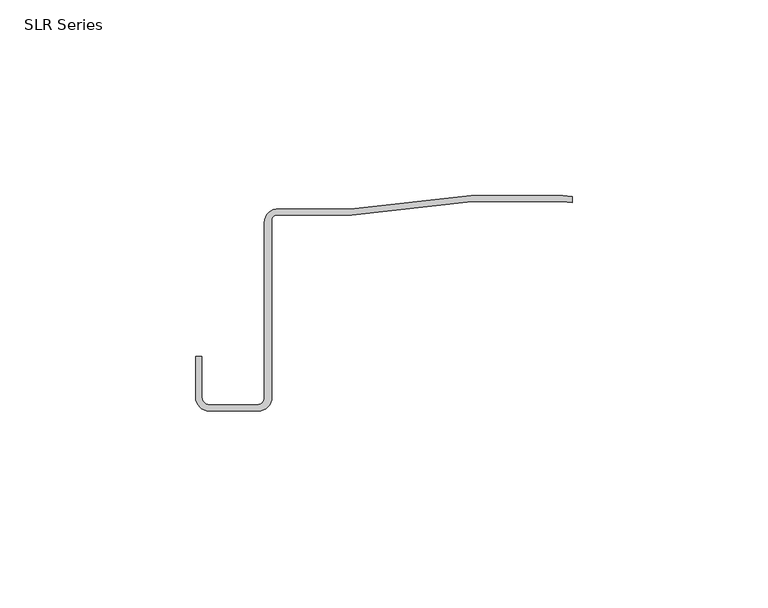
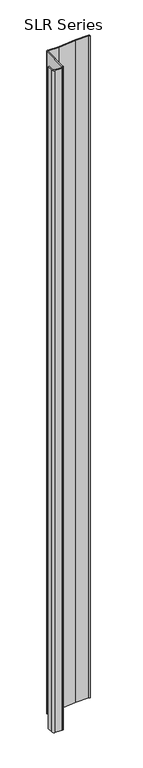
"""IFC4 building model written with IfcOpenShell, lengths in millimetres: plate geometry, SLR Series."""

from ifc_helpers import new_model, si_unit, point, frame_2d, origin, origin_with_axes, place, context, project, spatial, polyline, circle_curve, trimmed, segment, composite_curve, outline, extrude, source, transform, mapped, element, save


def slr_series_e1fe109a(model_context):
    return source(origin(), model_context, "Body", "SweptSolid", [
        extrude(outline(composite_curve([segment(trimmed(circle_curve(frame_2d((-34.9996177, -6.1269066)), 1.1123332), [point((-34.9996177, -5.0145733))], [point((-36.111951, -6.1269066))], True, "CARTESIAN"), True, "CONTINUOUS"), segment(polyline([(-36.111951, -6.1269066), (-36.111951, -51.601347)]), True, "CONTINUOUS"), segment(trimmed(circle_curve(frame_2d((-39.6443114, -51.601347)), 3.5323605), [point((-36.111951, -51.601347))], [point((-39.6443114, -55.1337075))], False, "CARTESIAN"), True, "CONTINUOUS"), segment(polyline([(-39.6443114, -55.1337075), (-52.0301614, -55.1337075)]), True, "CONTINUOUS"), segment(trimmed(circle_curve(frame_2d((-52.0301614, -51.601347)), 3.5323605), [point((-52.0301614, -55.1337075))], [point((-55.5625218, -51.601347))], False, "CARTESIAN"), True, "CONTINUOUS"), segment(polyline([(-55.5625218, -51.601347), (-55.5625218, -41.1948398), (-53.978425, -41.1948398), (-53.978425, -51.5624981)]), True, "CONTINUOUS"), segment(trimmed(circle_curve(frame_2d((-52.0457009, -51.5624981)), 1.9327241), [point((-53.978425, -51.5624981))], [point((-52.0457009, -53.4952222))], True, "CARTESIAN"), True, "CONTINUOUS"), segment(polyline([(-52.0457009, -53.4952222), (-39.8094191, -53.4952222)]), True, "CONTINUOUS"), segment(trimmed(circle_curve(frame_2d((-39.8094191, -51.6829296)), 1.8122926), [point((-39.8094191, -53.4952222))], [point((-37.9971266, -51.6829296))], True, "CARTESIAN"), True, "CONTINUOUS"), segment(polyline([(-37.9971266, -51.6829296), (-37.9971266, -6.8561803)]), True, "CONTINUOUS"), segment(trimmed(circle_curve(frame_2d((-34.586939, -6.8561803)), 3.4101875), [point((-37.9971266, -6.8561803))], [point((-34.9996177, -3.4710547))], False, "CARTESIAN"), True, "CONTINUOUS"), segment(polyline([(-34.9996177, -3.4710547), (-16.1299058, -3.4710547), (14.8424158, 0.0), (38.2223359, -0.0030647), (40.6542607, -0.3067848), (40.6542607, -1.8594973), (38.1264307, -1.5435186), (14.9066178, -1.5435186), (-15.7241926, -5.0145733), (-34.9996177, -5.0145733)]), True, "CONTINUOUS")], self_intersect=False)), origin_with_axes(), (0.0, 0.0, 1.0), 1228.3559792),
    ])


if __name__ == "__main__":
    model = new_model("IFC4")
    model_context = context("Model", 3, world=origin())
    ifc_project = project(units=[si_unit("LENGTHUNIT", "METRE", prefix="MILLI")], contexts=[model_context])
    site = spatial("IfcSite", under=ifc_project)
    building = spatial("IfcBuilding", under=site)
    placement = place(None, origin())
    slr_series_shape = slr_series_e1fe109a(model_context)
    element("IfcPlate", 1, ObjectType="SLR Series", at=placement, inside=building, context=model_context, shape_type="MappedRepresentation", body=[
        mapped(slr_series_shape, transform((0.0, 0.0, 0.0), x_axis=(1.0, 0.0, 0.0), y_axis=(0.0, 1.0, 0.0), z_axis=(0.0, 0.0, 1.0))),
    ])
    save(model, "model.ifc")
